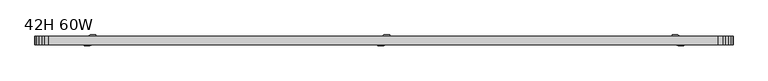
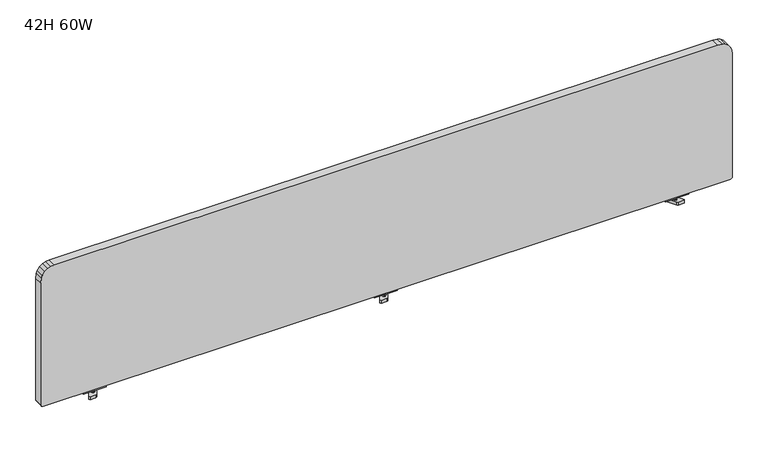
"""IFC4 building model written with IfcOpenShell, lengths in millimetres: furniture geometry, 42H 60W."""

from ifc_helpers import new_model, si_unit, frame, origin, place, context, project, spatial, polyline, outline, extrude, source, transform, mapped, element, save


def furniture_42h_60w_ad5886c3(model_context):
    return source(origin(), model_context, "Body", "SweptSolid", [
        extrude(outline(polyline([(721.0044136, 427.7064442), (721.0044136, 478.5064411), (725.7034, 478.5064411), (725.7034, 465.8064442), (731.9198083, 465.8064442), (731.9198083, 440.4064411), (725.7034, 440.4064411), (725.7034, 427.7064442), (721.0044136, 427.7064442)])), frame((0.0, -7.0631103, 0.0), z_axis=(0.0, 1.0, 0.0), x_axis=(0.0, 0.0, 1.0)), (0.0, 0.0, 1.0), 13.9700003),
        extrude(outline(polyline([(449.272061, -0.9455685), (449.6685393, 2.0659945), (452.078394, 3.9151378), (455.0899562, 3.518658), (456.9390984, 1.1088077), (456.5426201, -1.9027554), (454.1327654, -3.7518986), (451.1212032, -3.3554188), (449.272061, -0.9455685)])), frame((0.0, 0.0, 711.2182376), z_axis=(0.0, 0.0, 1.0), x_axis=(1.0, 0.0, 0.0)), (0.0, 0.0, 1.0), 9.7861759),
        extrude(outline(polyline([(450.3279498, 10.4360237), (452.9675961, 11.9600245), (465.2859394, 11.9600245), (466.6057625, 9.6740244), (455.0894687, -10.2727845), (452.4498224, -11.7967853), (440.13147, -11.7967853), (438.8116469, -9.5107852), (450.3279498, 10.4360237)])), frame((0.0, 0.0, 707.4445723), z_axis=(0.0, 0.0, 1.0), x_axis=(1.0, 0.0, 0.0)), (0.0, 0.0, 1.0), 6.7296167),
        extrude(outline(polyline([(721.0044136, 1116.4950154), (725.7034, 1116.4950154), (725.7034, 1103.7950184), (731.9198083, 1103.7950184), (731.9198083, 1078.3950154), (725.7034, 1078.3950154), (725.7034, 1065.6950184), (721.0044136, 1065.6950184), (721.0044136, 1116.4950154)])), frame((0.0, -7.0631103, 0.0), z_axis=(0.0, 1.0, 0.0), x_axis=(0.0, 0.0, 1.0)), (0.0, 0.0, 1.0), 13.9700003),
        extrude(outline(polyline([(1094.9293986, -0.9455685), (1093.0802564, -3.3554188), (1090.0686942, -3.7518986), (1087.6588395, -1.9027554), (1087.2623611, 1.1088077), (1089.1115033, 3.518658), (1092.1230655, 3.9151378), (1094.5329202, 2.0659945), (1094.9293986, -0.9455685)])), frame((0.0, 0.0, 711.2182376), z_axis=(0.0, 0.0, 1.0), x_axis=(1.0, 0.0, 0.0)), (0.0, 0.0, 1.0), 9.7861759),
        extrude(outline(polyline([(1093.8735098, 10.4360237), (1105.3898127, -9.5107852), (1104.0699895, -11.7967853), (1091.7516371, -11.7967853), (1089.1119908, -10.2727845), (1077.5956971, 9.6740244), (1078.9155202, 11.9600245), (1091.2338635, 11.9600245), (1093.8735098, 10.4360237)])), frame((0.0, 0.0, 707.4445723), z_axis=(0.0, 0.0, 1.0), x_axis=(1.0, 0.0, 0.0)), (0.0, 0.0, 1.0), 6.7296167),
        extrude(outline(polyline([(721.0044136, -209.9724621), (721.0044136, -159.1724651), (725.7034, -159.1724651), (725.7034, -171.8724621), (731.9198083, -171.8724621), (731.9198083, -197.2724651), (725.7034, -197.2724651), (725.7034, -209.9724621), (721.0044136, -209.9724621)])), frame((0.0, -7.0631103, 0.0), z_axis=(0.0, 1.0, 0.0), x_axis=(0.0, 0.0, 1.0)), (0.0, 0.0, 1.0), 13.9700003),
        extrude(outline(polyline([(-188.4068453, -0.9455685), (-188.0103669, 2.0659945), (-185.6005122, 3.9151378), (-182.58895, 3.518658), (-180.7398078, 1.1088077), (-181.1362862, -1.9027554), (-183.5461409, -3.7518986), (-186.5577031, -3.3554188), (-188.4068453, -0.9455685)])), frame((0.0, 0.0, 711.2182376), z_axis=(0.0, 0.0, 1.0), x_axis=(1.0, 0.0, 0.0)), (0.0, 0.0, 1.0), 9.7861759),
        extrude(outline(polyline([(-187.3509565, 10.4360237), (-184.7113102, 11.9600245), (-172.3929669, 11.9600245), (-171.0731437, 9.6740244), (-182.5894375, -10.2727845), (-185.2290838, -11.7967853), (-197.5474362, -11.7967853), (-198.8672594, -9.5107852), (-187.3509565, 10.4360237)])), frame((0.0, 0.0, 707.4445723), z_axis=(0.0, 0.0, 1.0), x_axis=(1.0, 0.0, 0.0)), (0.0, 0.0, 1.0), 6.7296167),
        extrude(outline(polyline([(1023.9709499, -303.7036873), (1013.633486, -304.8), (732.062442, -304.8), (729.8802526, -304.4042746), (728.4972702, -303.7115247), (727.5633882, -302.9419137), (726.9232383, -302.1849937), (726.0613723, -300.5522218), (725.7034, -298.4544126), (725.7034, 1204.9798608), (726.0491638, 1207.0315524), (726.7087165, 1208.404579), (727.5636062, 1209.4650521), (728.6262594, 1210.3240113), (730.0867807, 1211.0108153), (732.0246925, 1211.3225533), (1015.8167749, 1211.3225533), (1024.0302486, 1210.0925574), (1030.6040479, 1207.3975911), (1037.4803724, 1201.9647832), (1042.1808849, 1195.3735431), (1044.5936737, 1189.4282664), (1045.6702795, 1179.1711878), (1045.6702795, -274.8960043), (1044.5536325, -282.951288), (1042.1884426, -288.8969041), (1037.4786283, -295.460822), (1030.6059373, -300.8653267), (1023.9709499, -303.7036873)])), frame((0.0, -9.5249194, 0.0), z_axis=(0.0, 1.0, 0.0), x_axis=(0.0, 0.0, 1.0)), (0.0, 0.0, 1.0), 19.0498388),
    ])


if __name__ == "__main__":
    model = new_model("IFC4")
    model_context = context("Model", 3, world=origin())
    ifc_project = project(units=[si_unit("LENGTHUNIT", "METRE", prefix="MILLI")], contexts=[model_context])
    site = spatial("IfcSite", under=ifc_project)
    building = spatial("IfcBuilding", under=site)
    placement = place(None, origin())
    furniture_42h_60w_shape = furniture_42h_60w_ad5886c3(model_context)
    element("IfcFurniture", 1, ObjectType="42H 60W", at=placement, inside=building, context=model_context, shape_type="MappedRepresentation", body=[
        mapped(furniture_42h_60w_shape, transform((0.0, 0.0, 0.0), x_axis=(1.0, 0.0, 0.0), y_axis=(0.0, 1.0, 0.0), z_axis=(0.0, 0.0, 1.0))),
    ])
    save(model, "model.ifc")
